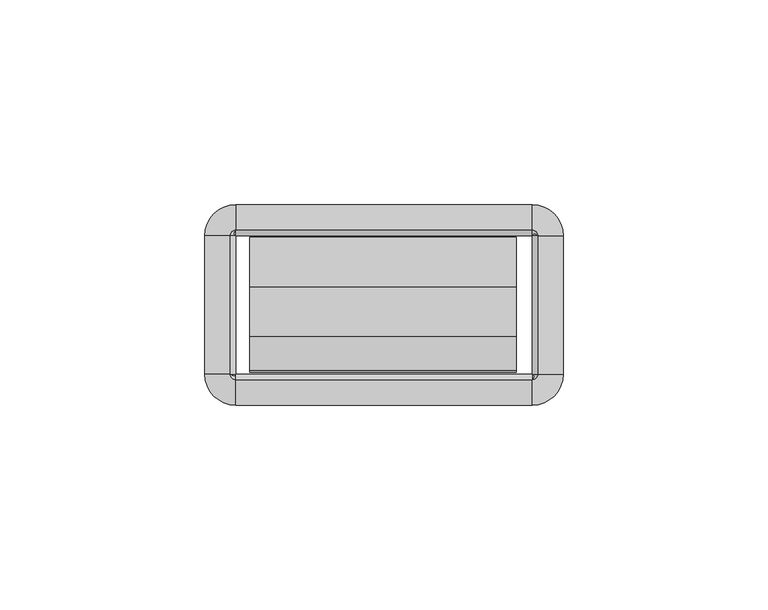
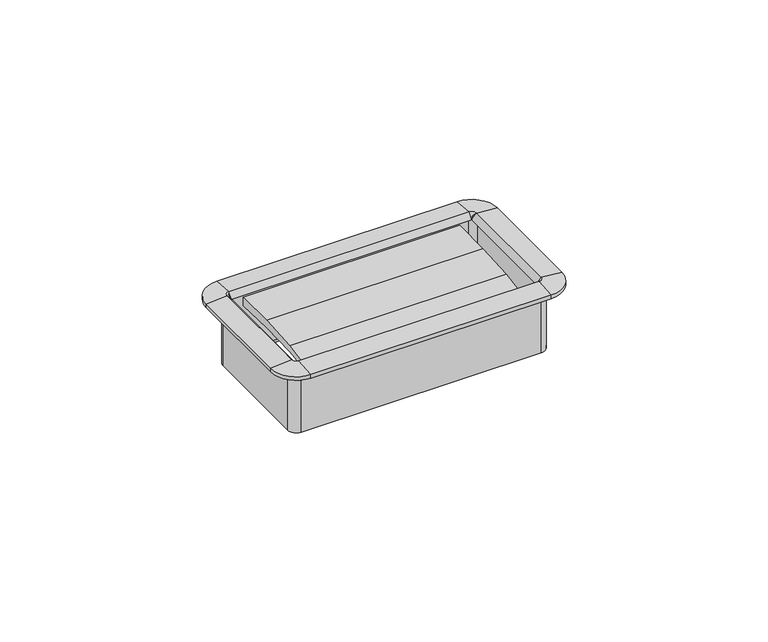
"""IFC4 building model written with IfcOpenShell, lengths in millimetres: furniture geometry."""

from ifc_helpers import new_model, si_unit, frame, origin, place, context, project, spatial, polyline, circle_curve, outline, extrude, source, transform, mapped, element, save
from ifc_brep_helpers import plane_surface, cylinder_surface, revolved_surface, advanced_brep


def furniture_66145a86(model_context):
    return source(origin(), model_context, "Body", "SolidModel", [
        extrude(outline(polyline([(-27.4015977, 733.6713463), (-35.841251, 732.6077762), (-35.4230807, 733.9857243), (-27.1272776, 735.5247401), (-15.0207956, 736.3183076), (-2.8884162, 736.3634028), (-2.9633248, 733.6052515), (-15.1814712, 734.0042355), (-27.4015977, 733.6713463)])), frame((-32.8496732, 0.0, 0.0), z_axis=(1.0, 0.0, 0.0), x_axis=(0.0, 1.0, 0.0)), (0.0, 0.0, 1.0), 65.1763996),
        advanced_brep(
        [(37.8602578, -2.54, 736.6), (36.1704551, -0.8501974, 736.6), (36.1704551, -0.8501974, 717.7532), (37.8602578, -2.54, 717.7532), (37.5244377, -2.54, 738.2652454), (36.1704551, -1.1860174, 738.2652454), (36.1704551, -2.5172282, 736.6), (43.7913825, -2.54, 737.743), (36.1704551, 5.0809274, 737.743), (43.7913825, -2.54, 736.6), (36.1704551, 5.0809274, 736.6), (38.7104551, -2.54, 716.2799989), (36.1704551, 0.0, 716.2799989), (36.1704551, 0.0, 736.6), (38.7104551, -2.54, 736.6), (37.8602578, -36.2712, 717.7532), (37.8602578, -36.2712, 736.6), (36.1932269, -36.2712, 736.6), (37.5244377, -36.2712, 738.2652454), (43.7913825, -36.2712, 737.743), (43.7913825, -36.2712, 736.6), (38.7104551, -36.2712, 736.6), (38.7104551, -36.2712, 716.2799989), (36.1704551, -37.9610026, 736.6), (36.1704551, -37.9610026, 717.7532), (36.1704551, -37.6251826, 738.2652454), (36.1704551, -43.8921274, 737.743), (36.1704551, -43.8921274, 736.6), (36.1704551, -38.8112, 716.2799989), (36.1704551, -38.8112, 736.6), (-36.1687428, -37.9610026, 717.7532), (-36.1687428, -37.9610026, 736.6), (-36.1687428, -36.2939718, 736.6), (-36.1687428, -37.6251826, 738.2652454), (-36.1687428, -43.8921274, 737.743), (-36.1687428, -43.8921274, 736.6), (-36.1687428, -38.8112, 736.6), (-36.1687428, -38.8112, 716.2799989), (-37.8585455, -36.2712, 736.6), (-37.8585455, -36.2712, 717.7532), (-37.5227254, -36.2712, 738.2652454), (-43.7896702, -36.2712, 737.743), (-43.7896702, -36.2712, 736.6), (-38.7087428, -36.2712, 716.2799989), (-38.7087428, -36.2712, 736.6), (-37.8585455, -2.54, 717.7532), (-37.8585455, -2.54, 736.6), (-36.1915146, -2.54, 736.6), (-37.5227254, -2.54, 738.2652454), (-43.7896702, -2.54, 737.743), (-43.7896702, -2.54, 736.6), (-38.7087428, -2.54, 736.6), (-38.7087428, -2.54, 716.2799989), (-36.1687428, -0.8501974, 736.6), (-36.1687428, -0.8501974, 717.7532), (-36.1687428, -1.1860174, 738.2652454), (-36.1687428, 5.0809274, 737.743), (-36.1687428, 5.0809274, 736.6), (-36.1687428, 0.0, 716.2799989), (-36.1687428, 0.0, 736.6), (38.6519521, -2.54, 717.7532), (36.1704551, -0.058503, 717.7532), (38.6519521, -36.2712, 717.7532), (36.1704551, -38.752697, 717.7532), (-36.1687428, -38.752697, 717.7532), (-38.6502398, -36.2712, 717.7532), (-38.6502398, -2.54, 717.7532), (-36.1687428, -0.058503, 717.7532)],
        [
            (0, 1, circle_curve(frame((36.1704551, -2.54, 736.6), z_axis=(0.0, 0.0, 1.0), x_axis=(0.0, 1.0, 0.0)), 1.6898026)),
            (1, 2),
            (2, 3, circle_curve(frame((36.1704551, -2.54, 717.7532), z_axis=(0.0, 0.0, -1.0), x_axis=(0.0, 1.0, 0.0)), 1.6898026)),
            (3, 0),
            (4, 5, circle_curve(frame((36.1704551, -2.54, 738.2652454), z_axis=(0.0, 0.0, 1.0), x_axis=(0.0, 1.0, 0.0)), 1.3539826)),
            (5, 6),
            (6, 4),
            (7, 8, circle_curve(frame((36.1704551, -2.54, 737.743), z_axis=(0.0, 0.0, 1.0), x_axis=(0.0, 1.0, 0.0)), 7.6209274)),
            (8, 5),
            (4, 7),
            (9, 10, circle_curve(frame((36.1704551, -2.54, 736.6), z_axis=(0.0, 0.0, 1.0), x_axis=(0.0, 1.0, 0.0)), 7.6209274)),
            (10, 8),
            (7, 9),
            (11, 12, circle_curve(frame((36.1704551, -2.54, 716.2799989), z_axis=(0.0, 0.0, 1.0), x_axis=(0.0, 1.0, 0.0)), 2.54)),
            (12, 13),
            (13, 14, circle_curve(frame((36.1704551, -2.54, 736.6), z_axis=(0.0, 0.0, -1.0), x_axis=(0.0, 1.0, 0.0)), 2.54)),
            (14, 11),
            (3, 15),
            (15, 16),
            (16, 0),
            (6, 17),
            (17, 18),
            (18, 4),
            (18, 19),
            (19, 7),
            (19, 20),
            (20, 9),
            (14, 21),
            (21, 22),
            (22, 11),
            (23, 16, circle_curve(frame((36.1704551, -36.2712, 736.6), z_axis=(0.0, 0.0, 1.0), x_axis=(1.0, 0.0, 0.0)), 1.6898026)),
            (15, 24, circle_curve(frame((36.1704551, -36.2712, 717.7532), z_axis=(0.0, 0.0, -1.0), x_axis=(1.0, 0.0, 0.0)), 1.6898026)),
            (24, 23),
            (25, 18, circle_curve(frame((36.1704551, -36.2712, 738.2652454), z_axis=(0.0, 0.0, 1.0), x_axis=(1.0, 0.0, 0.0)), 1.3539826)),
            (17, 25),
            (26, 19, circle_curve(frame((36.1704551, -36.2712, 737.743), z_axis=(0.0, 0.0, 1.0), x_axis=(1.0, 0.0, 0.0)), 7.6209274)),
            (25, 26),
            (27, 20, circle_curve(frame((36.1704551, -36.2712, 736.6), z_axis=(0.0, 0.0, 1.0), x_axis=(1.0, 0.0, 0.0)), 7.6209274)),
            (26, 27),
            (28, 22, circle_curve(frame((36.1704551, -36.2712, 716.2799989), z_axis=(0.0, 0.0, 1.0), x_axis=(1.0, 0.0, 0.0)), 2.54)),
            (21, 29, circle_curve(frame((36.1704551, -36.2712, 736.6), z_axis=(0.0, 0.0, -1.0), x_axis=(1.0, 0.0, 0.0)), 2.54)),
            (29, 28),
            (24, 30),
            (30, 31),
            (31, 23),
            (17, 32),
            (32, 33),
            (33, 25),
            (33, 34),
            (34, 26),
            (34, 35),
            (35, 27),
            (29, 36),
            (36, 37),
            (37, 28),
            (38, 31, circle_curve(frame((-36.1687428, -36.2712, 736.6), z_axis=(0.0, 0.0, 1.0), x_axis=(0.0, -1.0, 0.0)), 1.6898026)),
            (30, 39, circle_curve(frame((-36.1687428, -36.2712, 717.7532), z_axis=(0.0, 0.0, -1.0), x_axis=(0.0, -1.0, 0.0)), 1.6898026)),
            (39, 38),
            (40, 33, circle_curve(frame((-36.1687428, -36.2712, 738.2652454), z_axis=(0.0, 0.0, 1.0), x_axis=(0.0, -1.0, 0.0)), 1.3539826)),
            (32, 40),
            (41, 34, circle_curve(frame((-36.1687428, -36.2712, 737.743), z_axis=(0.0, 0.0, 1.0), x_axis=(0.0, -1.0, 0.0)), 7.6209274)),
            (40, 41),
            (42, 35, circle_curve(frame((-36.1687428, -36.2712, 736.6), z_axis=(0.0, 0.0, 1.0), x_axis=(0.0, -1.0, 0.0)), 7.6209274)),
            (41, 42),
            (43, 37, circle_curve(frame((-36.1687428, -36.2712, 716.2799989), z_axis=(0.0, 0.0, 1.0), x_axis=(0.0, -1.0, 0.0)), 2.54)),
            (36, 44, circle_curve(frame((-36.1687428, -36.2712, 736.6), z_axis=(0.0, 0.0, -1.0), x_axis=(0.0, -1.0, 0.0)), 2.54)),
            (44, 43),
            (39, 45),
            (45, 46),
            (46, 38),
            (32, 47),
            (47, 48),
            (48, 40),
            (48, 49),
            (49, 41),
            (49, 50),
            (50, 42),
            (44, 51),
            (51, 52),
            (52, 43),
            (53, 46, circle_curve(frame((-36.1687428, -2.54, 736.6), z_axis=(0.0, 0.0, 1.0), x_axis=(-1.0, 0.0, 0.0)), 1.6898026)),
            (45, 54, circle_curve(frame((-36.1687428, -2.54, 717.7532), z_axis=(0.0, 0.0, -1.0), x_axis=(-1.0, 0.0, 0.0)), 1.6898026)),
            (54, 53),
            (55, 48, circle_curve(frame((-36.1687428, -2.54, 738.2652454), z_axis=(0.0, 0.0, 1.0), x_axis=(-1.0, 0.0, 0.0)), 1.3539826)),
            (47, 55),
            (56, 49, circle_curve(frame((-36.1687428, -2.54, 737.743), z_axis=(0.0, 0.0, 1.0), x_axis=(-1.0, 0.0, 0.0)), 7.6209274)),
            (55, 56),
            (57, 50, circle_curve(frame((-36.1687428, -2.54, 736.6), z_axis=(0.0, 0.0, 1.0), x_axis=(-1.0, 0.0, 0.0)), 7.6209274)),
            (56, 57),
            (58, 52, circle_curve(frame((-36.1687428, -2.54, 716.2799989), z_axis=(0.0, 0.0, 1.0), x_axis=(-1.0, 0.0, 0.0)), 2.54)),
            (51, 59, circle_curve(frame((-36.1687428, -2.54, 736.6), z_axis=(0.0, 0.0, -1.0), x_axis=(-1.0, 0.0, 0.0)), 2.54)),
            (59, 58),
            (54, 2),
            (1, 53),
            (6, 47),
            (5, 55),
            (8, 56),
            (10, 57),
            (13, 59),
            (12, 58),
            (60, 61, circle_curve(frame((36.1704551, -2.54, 717.7532), z_axis=(0.0, 0.0, 1.0), x_axis=(0.0, 1.0, 0.0)), 2.481497)),
            (61, 12),
            (11, 60),
            (22, 62),
            (62, 60),
            (63, 62, circle_curve(frame((36.1704551, -36.2712, 717.7532), z_axis=(0.0, 0.0, 1.0), x_axis=(1.0, 0.0, 0.0)), 2.481497)),
            (28, 63),
            (37, 64),
            (64, 63),
            (65, 64, circle_curve(frame((-36.1687428, -36.2712, 717.7532), z_axis=(0.0, 0.0, 1.0), x_axis=(0.0, -1.0, 0.0)), 2.481497)),
            (43, 65),
            (52, 66),
            (66, 65),
            (67, 66, circle_curve(frame((-36.1687428, -2.54, 717.7532), z_axis=(0.0, 0.0, 1.0), x_axis=(-1.0, 0.0, 0.0)), 2.481497)),
            (58, 67),
            (61, 67),
        ],
        [
            revolved_surface(polyline([(36.1704551, -0.8501974000000001, 717.7532), (36.1704551, -0.8501974000000001, 736.6)]), (36.1704551, -2.54, 736.6), (0.0, 0.0, -1.0)),
            revolved_surface(polyline([(36.1704551, -2.5172282, 736.6), (36.1704551, -1.1860174, 738.2652454)]), (36.1704551, -2.54, 736.6), (0.0, 0.0, -1.0)),
            revolved_surface(polyline([(36.1704551, -1.1860174, 738.2652454), (36.1704551, 5.0809274, 737.743)]), (36.1704551, -2.54, 736.6), (0.0, 0.0, -1.0)),
            cylinder_surface(frame((36.1704551, -2.54, 736.6), z_axis=(0.0, 0.0, -1.0), x_axis=(0.0, 1.0, 0.0)), 7.6209274),
            cylinder_surface(frame((36.1704551, -2.54, 736.6), z_axis=(0.0, 0.0, -1.0), x_axis=(0.0, 1.0, 0.0)), 2.54),
            plane_surface(frame((37.8602578, -2.54, 717.7532), z_axis=(-1.0, 0.0, 0.0), x_axis=(0.0, -1.0, 0.0))),
            plane_surface(frame((36.1932269, -2.54, 736.6), z_axis=(-0.7810942622858547, 0.0, 0.6244131272035499), x_axis=(0.0, -1.0, 0.0))),
            plane_surface(frame((37.5244377, -2.54, 738.2652454), z_axis=(0.08304548081379862, 0.0, 0.9965457581648749), x_axis=(0.0, -1.0, 0.0))),
            plane_surface(frame((43.7913825, -2.54, 737.743), z_axis=(1.0, 0.0, 0.0), x_axis=(0.0, -1.0, 0.0))),
            plane_surface(frame((38.7104551, -2.54, 736.6), z_axis=(1.0, 0.0, 0.0), x_axis=(0.0, -1.0, 0.0))),
            revolved_surface(polyline([(37.8602577, -36.2712, 717.7532), (37.8602577, -36.2712, 736.6)]), (36.1704551, -36.2712, 736.6), (0.0, 0.0, -1.0)),
            revolved_surface(polyline([(36.1932269, -36.2712, 736.6), (37.5244377, -36.2712, 738.2652454)]), (36.1704551, -36.2712, 736.6), (0.0, 0.0, -1.0)),
            revolved_surface(polyline([(37.5244377, -36.2712, 738.2652454), (43.7913825, -36.2712, 737.743)]), (36.1704551, -36.2712, 736.6), (0.0, 0.0, -1.0)),
            cylinder_surface(frame((36.1704551, -36.2712, 736.6), z_axis=(0.0, 0.0, -1.0), x_axis=(1.0, 0.0, 0.0)), 7.6209274),
            cylinder_surface(frame((36.1704551, -36.2712, 736.6), z_axis=(0.0, 0.0, -1.0), x_axis=(1.0, 0.0, 0.0)), 2.54),
            plane_surface(frame((36.1704551, -37.9610026, 717.7532), z_axis=(0.0, 1.0, 0.0), x_axis=(-1.0, 0.0, 0.0))),
            plane_surface(frame((36.1704551, -36.2939718, 736.6), z_axis=(0.0, 0.7810942622858565, 0.6244131272035475), x_axis=(-1.0, 0.0, 0.0))),
            plane_surface(frame((36.1704551, -37.6251826, 738.2652454), z_axis=(0.0, -0.08304548081379555, 0.9965457581648751), x_axis=(-1.0, 0.0, 0.0))),
            plane_surface(frame((36.1704551, -43.8921274, 737.743), z_axis=(0.0, -1.0, 0.0), x_axis=(-1.0, 0.0, 0.0))),
            plane_surface(frame((36.1704551, -38.8112, 736.6), z_axis=(0.0, -1.0, 0.0), x_axis=(-1.0, 0.0, 0.0))),
            revolved_surface(polyline([(-36.1687428, -37.9610026, 717.7532), (-36.1687428, -37.9610026, 736.6)]), (-36.1687428, -36.2712, 736.6), (0.0, 0.0, -1.0)),
            revolved_surface(polyline([(-36.1687428, -36.2939718, 736.6), (-36.1687428, -37.6251826, 738.2652454)]), (-36.1687428, -36.2712, 736.6), (0.0, 0.0, -1.0)),
            revolved_surface(polyline([(-36.1687428, -37.6251826, 738.2652454), (-36.1687428, -43.8921274, 737.743)]), (-36.1687428, -36.2712, 736.6), (0.0, 0.0, -1.0)),
            cylinder_surface(frame((-36.1687428, -36.2712, 736.6), z_axis=(0.0, 0.0, -1.0), x_axis=(0.0, -1.0, 0.0)), 7.6209274),
            cylinder_surface(frame((-36.1687428, -36.2712, 736.6), z_axis=(0.0, 0.0, -1.0), x_axis=(0.0, -1.0, 0.0)), 2.54),
            plane_surface(frame((-37.8585455, -36.2712, 717.7532), z_axis=(1.0, 0.0, 0.0), x_axis=(0.0, 1.0, 0.0))),
            plane_surface(frame((-36.1915146, -36.2712, 736.6), z_axis=(0.7810942622858585, 0.0, 0.6244131272035451), x_axis=(0.0, 1.0, 0.0))),
            plane_surface(frame((-37.5227254, -36.2712, 738.2652454), z_axis=(-0.08304548081379248, 0.0, 0.9965457581648753), x_axis=(0.0, 1.0, 0.0))),
            plane_surface(frame((-43.7896702, -36.2712, 737.743), z_axis=(-1.0, 0.0, 0.0), x_axis=(0.0, 1.0, 0.0))),
            plane_surface(frame((-38.7087428, -36.2712, 736.6), z_axis=(-1.0, 0.0, 0.0), x_axis=(0.0, 1.0, 0.0))),
            revolved_surface(polyline([(-37.8585454, -2.54, 717.7532), (-37.8585454, -2.54, 736.6)]), (-36.1687428, -2.54, 736.6), (0.0, 0.0, -1.0)),
            revolved_surface(polyline([(-36.1915146, -2.54, 736.6), (-37.5227254, -2.54, 738.2652454)]), (-36.1687428, -2.54, 736.6), (0.0, 0.0, -1.0)),
            revolved_surface(polyline([(-37.5227254, -2.54, 738.2652454), (-43.7896702, -2.54, 737.743)]), (-36.1687428, -2.54, 736.6), (0.0, 0.0, -1.0)),
            cylinder_surface(frame((-36.1687428, -2.54, 736.6), z_axis=(0.0, 0.0, -1.0), x_axis=(-1.0, 0.0, 0.0)), 7.6209274),
            cylinder_surface(frame((-36.1687428, -2.54, 736.6), z_axis=(0.0, 0.0, -1.0), x_axis=(-1.0, 0.0, 0.0)), 2.54),
            plane_surface(frame((-36.1687428, -0.8501974, 717.7532), z_axis=(0.0, -1.0, 0.0), x_axis=(1.0, 0.0, 0.0))),
            plane_surface(frame((-36.1687428, -0.8501974, 736.6), z_axis=(0.0, 0.0, -1.0), x_axis=(1.0, 0.0, 0.0))),
            plane_surface(frame((-36.1687428, -2.5172282, 736.6), z_axis=(0.0, -0.7810942622858567, 0.6244131272035476), x_axis=(1.0, 0.0, 0.0))),
            plane_surface(frame((-36.1687428, -1.1860174, 738.2652454), z_axis=(0.0, 0.08304548081379555, 0.9965457581648751), x_axis=(1.0, 0.0, 0.0))),
            plane_surface(frame((-36.1687428, 5.0809274, 737.743), z_axis=(0.0, 1.0, 0.0), x_axis=(1.0, 0.0, 0.0))),
            plane_surface(frame((-36.1687428, 5.0809274, 736.6), z_axis=(0.0, 0.0, -1.0), x_axis=(1.0, 0.0, 0.0))),
            plane_surface(frame((-36.1687428, 0.0, 736.6), z_axis=(0.0, 1.0, 0.0), x_axis=(1.0, 0.0, 0.0))),
            revolved_surface(polyline([(36.1704551, 0.0, 716.2799989), (36.1704551, -0.058503, 717.7532)]), (36.1704551, -2.54, 736.6), (0.0, 0.0, -1.0)),
            plane_surface(frame((38.7104551, -2.54, 716.2799989), z_axis=(-0.9992124303949471, 0.0, -0.03968020847000604), x_axis=(0.0, -1.0, 0.0))),
            revolved_surface(polyline([(38.7104551, -36.2712, 716.2799989), (38.6519521, -36.2712, 717.7532)]), (36.1704551, -36.2712, 736.6), (0.0, 0.0, -1.0)),
            plane_surface(frame((36.1704551, -38.8112, 716.2799989), z_axis=(0.0, 0.999212430394947, -0.039680208470009116), x_axis=(-1.0, 0.0, 0.0))),
            revolved_surface(polyline([(-36.1687428, -38.8112, 716.2799989), (-36.1687428, -38.752697, 717.7532)]), (-36.1687428, -36.2712, 736.6), (0.0, 0.0, -1.0)),
            plane_surface(frame((-38.7087428, -36.2712, 716.2799989), z_axis=(0.9992124303949469, 0.0, -0.03968020847001219), x_axis=(0.0, 1.0, 0.0))),
            revolved_surface(polyline([(-38.7087428, -2.54, 716.2799989), (-38.6502398, -2.54, 717.7532)]), (-36.1687428, -2.54, 736.6), (0.0, 0.0, -1.0)),
            plane_surface(frame((-36.1687428, 0.0, 716.2799989), z_axis=(0.0, -0.999212430394947, -0.039680208470009116), x_axis=(1.0, 0.0, 0.0))),
            plane_surface(frame((-36.1687428, -0.058503, 717.7532), z_axis=(0.0, 0.0, -1.0), x_axis=(1.0, 0.0, 0.0))),
        ],
        [
            (0, [[1, 2, 3, 4]]),
            (1, [[5, 6, 7]]),
            (2, [[8, 9, -5, 10]]),
            (3, [[11, 12, -8, 13]]),
            (4, [[14, 15, 16, 17]]),
            (5, [[-4, 18, 19, 20]]),
            (6, [[-7, 21, 22, 23]]),
            (7, [[-10, -23, 24, 25]]),
            (8, [[-13, -25, 26, 27]]),
            (9, [[-17, 28, 29, 30]]),
            (10, [[31, -19, 32, 33]]),
            (11, [[34, -22, 35]]),
            (12, [[36, -24, -34, 37]]),
            (13, [[38, -26, -36, 39]]),
            (14, [[40, -29, 41, 42]]),
            (15, [[-33, 43, 44, 45]]),
            (16, [[-35, 46, 47, 48]]),
            (17, [[-37, -48, 49, 50]]),
            (18, [[-39, -50, 51, 52]]),
            (19, [[-42, 53, 54, 55]]),
            (20, [[56, -44, 57, 58]]),
            (21, [[59, -47, 60]]),
            (22, [[61, -49, -59, 62]]),
            (23, [[63, -51, -61, 64]]),
            (24, [[65, -54, 66, 67]]),
            (25, [[-58, 68, 69, 70]]),
            (26, [[-60, 71, 72, 73]]),
            (27, [[-62, -73, 74, 75]]),
            (28, [[-64, -75, 76, 77]]),
            (29, [[-67, 78, 79, 80]]),
            (30, [[81, -69, 82, 83]]),
            (31, [[84, -72, 85]]),
            (32, [[86, -74, -84, 87]]),
            (33, [[88, -76, -86, 89]]),
            (34, [[90, -79, 91, 92]]),
            (35, [[-83, 93, -2, 94]]),
            (36, [[-70, -81, -94, -1, -20, -31, -45, -56], [95, -71, -46, -21]]),
            (37, [[-85, -95, -6, 96]]),
            (38, [[-87, -96, -9, 97]]),
            (39, [[-89, -97, -12, 98]]),
            (40, [[-77, -88, -98, -11, -27, -38, -52, -63], [99, -91, -78, -66, -53, -41, -28, -16]]),
            (41, [[-92, -99, -15, 100]]),
            (42, [[101, 102, -14, 103]]),
            (43, [[-103, -30, 104, 105]]),
            (44, [[106, -104, -40, 107]]),
            (45, [[-107, -55, 108, 109]]),
            (46, [[110, -108, -65, 111]]),
            (47, [[-111, -80, 112, 113]]),
            (48, [[114, -112, -90, 115]]),
            (49, [[-115, -100, -102, 116]]),
            (50, [[-113, -114, -116, -101, -105, -106, -109, -110], [-93, -82, -68, -57, -43, -32, -18, -3]]),
        ],
    ),
    ])


if __name__ == "__main__":
    model = new_model("IFC4")
    model_context = context("Model", 3, world=origin())
    ifc_project = project(units=[si_unit("LENGTHUNIT", "METRE", prefix="MILLI")], contexts=[model_context])
    site = spatial("IfcSite", under=ifc_project)
    building = spatial("IfcBuilding", under=site)
    placement = place(None, origin())
    furniture_shape = furniture_66145a86(model_context)
    element("IfcFurniture", 1, at=placement, inside=building, context=model_context, shape_type="MappedRepresentation", body=[
        mapped(furniture_shape, transform((0.0, 0.0, 0.0), x_axis=(1.0, 0.0, 0.0), y_axis=(0.0, 1.0, 0.0), z_axis=(0.0, 0.0, 1.0))),
    ])
    save(model, "model.ifc")
